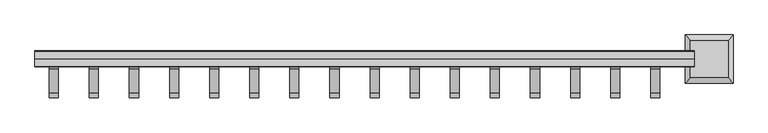
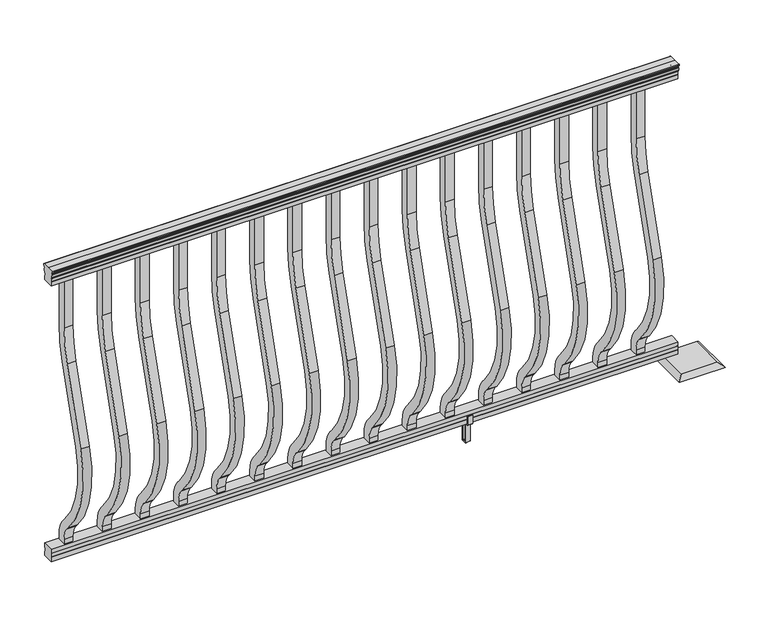
"""IFC4 building model written with IfcOpenShell, lengths in millimetres: railing geometry."""

from ifc_helpers import new_model, si_unit, point, frame, frame_2d, origin, place, context, project, spatial, polyline, circle_curve, trimmed, segment, composite_curve, outline, extrude, faceted_brep, source, transform, mapped, element, save
from ifc_brep_helpers import plane_surface, cylinder_surface, revolved_surface, advanced_brep


def railing_daff04e8(model_context):
    return source(origin(), model_context, "Body", "SolidModel", [
        advanced_brep(
        [(13676.0817463, -48070.5992427, 938.4043297), (13676.0817463, -48070.5992427, 940.292412), (13676.0817463, -48071.729429, 941.8546695), (13676.0817463, -48071.729429, 949.0726458), (13676.0817463, -48071.0801726, 951.5060812), (13676.0817463, -48073.5801726, 955.8362083), (13676.0817463, -48074.9895151, 957.5157972), (13676.0817463, -48075.3914141, 958.6205318), (13676.0817463, -48075.391414, 959.9608158), (13676.0817463, -48073.8379668, 961.514263), (13676.0817463, -48053.166414, 961.514263), (13676.0817463, -48032.4948612, 961.514263), (13676.0817463, -48030.941414, 959.9608158), (13676.0817463, -48030.941414, 958.6205318), (13676.0817463, -48031.3433129, 957.5157972), (13676.0817463, -48032.7526554, 955.8362083), (13676.0817463, -48035.2526554, 951.5060812), (13676.0817463, -48034.603399, 949.0726458), (13676.0817463, -48034.603399, 941.8546695), (13676.0817463, -48035.7335853, 940.292412), (13676.0817463, -48035.7335853, 938.4043297), (13676.0817463, -48038.307414, 938.4043297), (13676.0817463, -48038.307414, 927.9048283), (13676.0817463, -48037.291414, 926.8888283), (13676.0817463, -48037.291414, 914.4), (13676.0817463, -48069.041414, 914.4), (13676.0817463, -48069.041414, 926.731013), (13676.0817463, -48068.025414, 927.747013), (13676.0817463, -48068.025414, 938.4043297), (15504.8817463, -48070.5992427, 938.4043297), (15504.8817463, -48068.025414, 938.4043297), (15504.8817463, -48068.025414, 927.747013), (15504.8817463, -48069.041414, 926.731013), (15504.8817463, -48069.041414, 914.4), (15504.8817463, -48037.291414, 914.4), (15504.8817463, -48037.291414, 926.8888283), (15504.8817463, -48038.307414, 927.9048283), (15504.8817463, -48038.307414, 938.4043297), (15504.8817463, -48035.7335853, 938.4043297), (15504.8817463, -48035.7335853, 940.292412), (15504.8817463, -48034.603399, 941.8546695), (15504.8817463, -48034.603399, 949.0726458), (15504.8817463, -48035.2526554, 951.5060812), (15504.8817463, -48032.7526554, 955.8362083), (15504.8817463, -48031.3433129, 957.5157972), (15504.8817463, -48030.9414139, 958.6205318), (15504.8817463, -48030.941414, 959.9608158), (15504.8817463, -48032.4948612, 961.514263), (15504.8817463, -48053.166414, 961.514263), (15504.8817463, -48073.8379668, 961.514263), (15504.8817463, -48075.391414, 959.9608158), (15504.8817463, -48075.391414, 958.6205318), (15504.8817463, -48074.9895151, 957.5157972), (15504.8817463, -48073.5801726, 955.8362083), (15504.8817463, -48071.0801726, 951.5060812), (15504.8817463, -48071.729429, 949.0726458), (15504.8817463, -48071.729429, 941.8546695), (15504.8817463, -48070.5992427, 940.292412)],
        [
            (0, 1),
            (1, 2, circle_curve(frame((13676.0817463, -48064.2844895, 946.0506383), z_axis=(-1.0, 0.0, 0.0), x_axis=(0.0, 1.0, 0.0)), 8.545951)),
            (2, 3, circle_curve(frame((13676.0817463, -48064.7215524, 945.4636577), z_axis=(-1.0, 0.0, 0.0), x_axis=(0.0, 1.0, 0.0)), 7.882584)),
            (3, 4, circle_curve(frame((13676.0817463, -48075.2348766, 951.3112527), z_axis=(1.0, 0.0, 0.0), x_axis=(0.0, 1.0, 0.0)), 4.1592695)),
            (4, 5, circle_curve(frame((13676.0817463, -48076.5221831, 951.2508864), z_axis=(1.0, 0.0, 0.0), x_axis=(0.0, 1.0, 0.0)), 5.4479907)),
            (5, 6, circle_curve(frame((13676.0817463, -48075.2890247, 955.833395), z_axis=(1.0, 0.0, 0.0), x_axis=(0.0, 1.0, 0.0)), 1.7088543)),
            (6, 7, circle_curve(frame((13676.0817463, -48073.6721246, 958.6205318), z_axis=(-1.0, 0.0, 0.0), x_axis=(0.0, 1.0, 0.0)), 1.7192895)),
            (7, 8),
            (8, 9, circle_curve(frame((13676.0817463, -48073.8379668, 959.9608158), z_axis=(-1.0, 0.0, 0.0), x_axis=(0.0, 1.0, 0.0)), 1.5534472)),
            (9, 10),
            (10, 11),
            (11, 12, circle_curve(frame((13676.0817463, -48032.4948612, 959.9608158), z_axis=(-1.0, 0.0, 0.0), x_axis=(0.0, -1.0, 0.0)), 1.5534472)),
            (12, 13),
            (13, 14, circle_curve(frame((13676.0817463, -48032.6607034, 958.6205318), z_axis=(-1.0, 0.0, 0.0), x_axis=(0.0, -1.0, 0.0)), 1.7192895)),
            (14, 15, circle_curve(frame((13676.0817463, -48031.0438033, 955.833395), z_axis=(1.0, 0.0, 0.0), x_axis=(0.0, -1.0, 0.0)), 1.7088543)),
            (15, 16, circle_curve(frame((13676.0817463, -48029.8106449, 951.2508864), z_axis=(1.0, 0.0, 0.0), x_axis=(0.0, -1.0, 0.0)), 5.4479907)),
            (16, 17, circle_curve(frame((13676.0817463, -48031.0979515, 951.3112527), z_axis=(1.0, 0.0, 0.0), x_axis=(0.0, -1.0, 0.0)), 4.1592695)),
            (17, 18, circle_curve(frame((13676.0817463, -48041.6112756, 945.4636577), z_axis=(-1.0, 0.0, 0.0), x_axis=(0.0, -1.0, 0.0)), 7.882584)),
            (18, 19, circle_curve(frame((13676.0817463, -48042.0483386, 946.0506383), z_axis=(-1.0, 0.0, 0.0), x_axis=(0.0, -1.0, 0.0)), 8.545951)),
            (19, 20),
            (20, 21, circle_curve(frame((13676.0817463, -48037.0204996, 938.4043297), z_axis=(-1.0, 0.0, 0.0), x_axis=(0.0, -1.0, 0.0)), 1.2869144)),
            (21, 22),
            (22, 23),
            (23, 24),
            (24, 25),
            (25, 26),
            (26, 27),
            (27, 28),
            (28, 0, circle_curve(frame((13676.0817463, -48069.3123284, 938.4043297), z_axis=(-1.0, 0.0, 0.0), x_axis=(0.0, 1.0, 0.0)), 1.2869144)),
            (29, 30, circle_curve(frame((15504.8817463, -48069.3123284, 938.4043297), z_axis=(1.0, 0.0, 0.0), x_axis=(0.0, 1.0, 0.0)), 1.2869144)),
            (30, 31),
            (31, 32),
            (32, 33),
            (33, 34),
            (34, 35),
            (35, 36),
            (36, 37),
            (37, 38, circle_curve(frame((15504.8817463, -48037.0204996, 938.4043297), z_axis=(1.0, 0.0, 0.0), x_axis=(0.0, -1.0, 0.0)), 1.2869144)),
            (38, 39),
            (39, 40, circle_curve(frame((15504.8817463, -48042.0483386, 946.0506383), z_axis=(1.0, 0.0, 0.0), x_axis=(0.0, -1.0, 0.0)), 8.545951)),
            (40, 41, circle_curve(frame((15504.8817463, -48041.6112756, 945.4636577), z_axis=(1.0, 0.0, 0.0), x_axis=(0.0, -1.0, 0.0)), 7.882584)),
            (41, 42, circle_curve(frame((15504.8817463, -48031.0979515, 951.3112527), z_axis=(-1.0, 0.0, 0.0), x_axis=(0.0, -1.0, 0.0)), 4.1592695)),
            (42, 43, circle_curve(frame((15504.8817463, -48029.8106449, 951.2508864), z_axis=(-1.0, 0.0, 0.0), x_axis=(0.0, -1.0, 0.0)), 5.4479907)),
            (43, 44, circle_curve(frame((15504.8817463, -48031.0438033, 955.833395), z_axis=(-1.0, 0.0, 0.0), x_axis=(0.0, -1.0, 0.0)), 1.7088543)),
            (44, 45, circle_curve(frame((15504.8817463, -48032.6607034, 958.6205318), z_axis=(1.0, 0.0, 0.0), x_axis=(0.0, -1.0, 0.0)), 1.7192895)),
            (45, 46),
            (46, 47, circle_curve(frame((15504.8817463, -48032.4948612, 959.9608158), z_axis=(1.0, 0.0, 0.0), x_axis=(0.0, -1.0, 0.0)), 1.5534472)),
            (47, 48),
            (48, 49),
            (49, 50, circle_curve(frame((15504.8817463, -48073.8379668, 959.9608158), z_axis=(1.0, 0.0, 0.0), x_axis=(0.0, 1.0, 0.0)), 1.5534472)),
            (50, 51),
            (51, 52, circle_curve(frame((15504.8817463, -48073.6721246, 958.6205318), z_axis=(1.0, 0.0, 0.0), x_axis=(0.0, 1.0, 0.0)), 1.7192895)),
            (52, 53, circle_curve(frame((15504.8817463, -48075.2890247, 955.833395), z_axis=(-1.0, 0.0, 0.0), x_axis=(0.0, 1.0, 0.0)), 1.7088543)),
            (53, 54, circle_curve(frame((15504.8817463, -48076.5221831, 951.2508864), z_axis=(-1.0, 0.0, 0.0), x_axis=(0.0, 1.0, 0.0)), 5.4479907)),
            (54, 55, circle_curve(frame((15504.8817463, -48075.2348766, 951.3112527), z_axis=(-1.0, 0.0, 0.0), x_axis=(0.0, 1.0, 0.0)), 4.1592695)),
            (55, 56, circle_curve(frame((15504.8817463, -48064.7215524, 945.4636577), z_axis=(1.0, 0.0, 0.0), x_axis=(0.0, 1.0, 0.0)), 7.882584)),
            (56, 57, circle_curve(frame((15504.8817463, -48064.2844895, 946.0506383), z_axis=(1.0, 0.0, 0.0), x_axis=(0.0, 1.0, 0.0)), 8.545951)),
            (57, 29),
            (28, 30),
            (29, 0),
            (27, 31),
            (26, 32),
            (25, 33),
            (24, 34),
            (23, 35),
            (22, 36),
            (21, 37),
            (20, 38),
            (19, 39),
            (18, 40),
            (17, 41),
            (16, 42),
            (15, 43),
            (14, 44),
            (13, 45),
            (12, 46),
            (11, 47),
            (10, 48),
            (9, 49),
            (8, 50),
            (7, 51),
            (6, 52),
            (5, 53),
            (4, 54),
            (3, 55),
            (2, 56),
            (1, 57),
        ],
        [
            plane_surface(frame((13676.0817463, -48053.166414, 914.4), z_axis=(-1.0, 0.0, 0.0), x_axis=(0.0, 1.0, 0.0))),
            plane_surface(frame((15504.8817463, -48053.166414, 914.4), z_axis=(1.0, 0.0, 0.0), x_axis=(0.0, 1.0, 0.0))),
            cylinder_surface(frame((13676.0817463, -48069.3123284, 938.4043297), z_axis=(-1.0, 0.0, 0.0), x_axis=(0.0, 1.0, 0.0)), 1.2869144),
            plane_surface(frame((13676.0817463, -48068.025414, 927.747013), z_axis=(0.0, -1.0, 0.0), x_axis=(1.0, 0.0, 0.0))),
            plane_surface(frame((13676.0817463, -48069.041414, 926.731013), z_axis=(0.0, -0.7071067811865395, 0.7071067811865556), x_axis=(1.0, 0.0, 0.0))),
            plane_surface(frame((13676.0817463, -48069.041414, 914.4), z_axis=(0.0, -1.0, 0.0), x_axis=(1.0, 0.0, 0.0))),
            plane_surface(frame((13676.0817463, -48037.291414, 914.4), z_axis=(0.0, 0.0, -1.0), x_axis=(1.0, 0.0, 0.0))),
            plane_surface(frame((13676.0817463, -48037.291414, 926.8888283), z_axis=(0.0, 1.0, 0.0), x_axis=(1.0, 0.0, 0.0))),
            plane_surface(frame((13676.0817463, -48038.307414, 927.9048283), z_axis=(0.0, 0.7071067811865432, 0.707106781186552), x_axis=(1.0, 0.0, 0.0))),
            plane_surface(frame((13676.0817463, -48038.307414, 938.4043297), z_axis=(0.0, 1.0, 0.0), x_axis=(1.0, 0.0, 0.0))),
            cylinder_surface(frame((13676.0817463, -48037.0204996, 938.4043297), z_axis=(-1.0, 0.0, 0.0), x_axis=(0.0, -1.0, 0.0)), 1.2869144),
            plane_surface(frame((13676.0817463, -48035.7335853, 940.292412), z_axis=(0.0, 1.0, 0.0), x_axis=(1.0, 0.0, 0.0))),
            cylinder_surface(frame((13676.0817463, -48042.0483386, 946.0506383), z_axis=(-1.0, 0.0, 0.0), x_axis=(0.0, -1.0, 0.0)), 8.545951),
            cylinder_surface(frame((13676.0817463, -48041.6112756, 945.4636577), z_axis=(-1.0, 0.0, 0.0), x_axis=(0.0, -1.0, 0.0)), 7.882584),
            revolved_surface(polyline([(15504.8817463, -48035.257221, 951.3112527), (13676.0817463, -48035.257221, 951.3112527)]), (13676.0817463, -48031.0979515, 951.3112527), (1.0, 0.0, 0.0)),
            revolved_surface(polyline([(15504.8817463, -48035.258635599996, 951.2508864), (13676.0817463, -48035.258635599996, 951.2508864)]), (13676.0817463, -48029.8106449, 951.2508864), (1.0, 0.0, 0.0)),
            revolved_surface(polyline([(15504.8817463, -48032.7526576, 955.833395), (13676.0817463, -48032.7526576, 955.833395)]), (13676.0817463, -48031.0438033, 955.833395), (1.0, 0.0, 0.0)),
            cylinder_surface(frame((13676.0817463, -48032.6607034, 958.6205318), z_axis=(-1.0, 0.0, 0.0), x_axis=(0.0, -1.0, 0.0)), 1.7192895),
            plane_surface(frame((13676.0817463, -48030.941414, 959.9608158), z_axis=(0.0, 1.0, 0.0), x_axis=(1.0, 0.0, 0.0))),
            cylinder_surface(frame((13676.0817463, -48032.4948612, 959.9608158), z_axis=(-1.0, 0.0, 0.0), x_axis=(0.0, -1.0, 0.0)), 1.5534472),
            plane_surface(frame((13676.0817463, -48053.166414, 961.514263), z_axis=(0.0, 0.0, 1.0), x_axis=(1.0, 0.0, 0.0))),
            plane_surface(frame((13676.0817463, -48073.8379668, 961.514263), z_axis=(0.0, 0.0, 1.0), x_axis=(1.0, 0.0, 0.0))),
            cylinder_surface(frame((13676.0817463, -48073.8379668, 959.9608158), z_axis=(-1.0, 0.0, 0.0), x_axis=(0.0, 1.0, 0.0)), 1.5534472),
            plane_surface(frame((13676.0817463, -48075.391414, 958.6205318), z_axis=(0.0, -1.0, 0.0), x_axis=(1.0, 0.0, 0.0))),
            cylinder_surface(frame((13676.0817463, -48073.6721246, 958.6205318), z_axis=(-1.0, 0.0, 0.0), x_axis=(0.0, 1.0, 0.0)), 1.7192895),
            revolved_surface(polyline([(15504.8817463, -48073.580170400004, 955.833395), (13676.0817463, -48073.580170400004, 955.833395)]), (13676.0817463, -48075.2890247, 955.833395), (1.0, 0.0, 0.0)),
            revolved_surface(polyline([(15504.8817463, -48071.0741924, 951.2508864), (13676.0817463, -48071.0741924, 951.2508864)]), (13676.0817463, -48076.5221831, 951.2508864), (1.0, 0.0, 0.0)),
            revolved_surface(polyline([(15504.8817463, -48071.0756071, 951.3112527), (13676.0817463, -48071.0756071, 951.3112527)]), (13676.0817463, -48075.2348766, 951.3112527), (1.0, 0.0, 0.0)),
            cylinder_surface(frame((13676.0817463, -48064.7215524, 945.4636577), z_axis=(-1.0, 0.0, 0.0), x_axis=(0.0, 1.0, 0.0)), 7.882584),
            cylinder_surface(frame((13676.0817463, -48064.2844895, 946.0506383), z_axis=(-1.0, 0.0, 0.0), x_axis=(0.0, 1.0, 0.0)), 8.545951),
            plane_surface(frame((13676.0817463, -48070.5992427, 938.4043297), z_axis=(0.0, -1.0, 0.0), x_axis=(1.0, 0.0, 0.0))),
        ],
        [
            (0, [[1, 2, 3, 4, 5, 6, 7, 8, 9, 10, 11, 12, 13, 14, 15, 16, 17, 18, 19, 20, 21, 22, 23, 24, 25, 26, 27, 28, 29]]),
            (1, [[30, 31, 32, 33, 34, 35, 36, 37, 38, 39, 40, 41, 42, 43, 44, 45, 46, 47, 48, 49, 50, 51, 52, 53, 54, 55, 56, 57, 58]]),
            (2, [[-29, 59, -30, 60]]),
            (3, [[-28, 61, -31, -59]]),
            (4, [[-27, 62, -32, -61]]),
            (5, [[-26, 63, -33, -62]]),
            (6, [[-25, 64, -34, -63]]),
            (7, [[-24, 65, -35, -64]]),
            (8, [[-23, 66, -36, -65]]),
            (9, [[-22, 67, -37, -66]]),
            (10, [[-21, 68, -38, -67]]),
            (11, [[-20, 69, -39, -68]]),
            (12, [[-19, 70, -40, -69]]),
            (13, [[-18, 71, -41, -70]]),
            (14, [[-17, 72, -42, -71]]),
            (15, [[-16, 73, -43, -72]]),
            (16, [[-15, 74, -44, -73]]),
            (17, [[-14, 75, -45, -74]]),
            (18, [[-13, 76, -46, -75]]),
            (19, [[-12, 77, -47, -76]]),
            (20, [[-11, 78, -48, -77]]),
            (21, [[-10, 79, -49, -78]]),
            (22, [[-9, 80, -50, -79]]),
            (23, [[-8, 81, -51, -80]]),
            (24, [[-7, 82, -52, -81]]),
            (25, [[-6, 83, -53, -82]]),
            (26, [[-5, 84, -54, -83]]),
            (27, [[-4, 85, -55, -84]]),
            (28, [[-3, 86, -56, -85]]),
            (29, [[-2, 87, -57, -86]]),
            (30, [[-1, -60, -58, -87]]),
        ],
    ),
        faceted_brep([(13676.0817463, -48069.0789009, 76.0541976), (13676.0817463, -48068.0629009, 77.3546183), (13676.0817463, -48068.0629009, 87.7141717), (13676.0817463, -48069.0789009, 89.0624492), (13676.0817463, -48069.0789009, 101.5958781), (13676.0817463, -48037.3289009, 101.5958781), (13676.0817463, -48037.3289009, 89.0458024), (13676.0817463, -48038.3449009, 87.6975248), (13676.0817463, -48038.3449009, 77.3858283), (13676.0817463, -48037.3289009, 76.0375508), (13676.0817463, -48037.3289009, 63.5), (13676.0817463, -48069.0789009, 63.5), (15504.8817463, -48069.0789009, 76.0541976), (15504.8817463, -48069.0789009, 63.5), (15504.8817463, -48037.3289009, 63.5), (15504.8817463, -48037.3289009, 76.0375508), (15504.8817463, -48038.3449009, 77.3858283), (15504.8817463, -48038.3449009, 87.6975248), (15504.8817463, -48037.3289009, 89.0458024), (15504.8817463, -48037.3289009, 101.5958781), (15504.8817463, -48069.0789009, 101.5958781), (15504.8817463, -48069.0789009, 89.0624492), (15504.8817463, -48068.0629009, 87.7141717), (15504.8817463, -48068.0629009, 77.3546183)], [[[0, 1, 2, 3, 4, 5, 6, 7, 8, 9, 10, 11]], [[12, 13, 14, 15, 16, 17, 18, 19, 20, 21, 22, 23]], [[0, 11, 13, 12]], [[11, 10, 14, 13]], [[10, 9, 15, 14]], [[9, 8, 16, 15]], [[8, 7, 17, 16]], [[7, 6, 18, 17]], [[6, 5, 19, 18]], [[5, 4, 20, 19]], [[4, 3, 21, 20]], [[3, 2, 22, 21]], [[2, 1, 23, 22]], [[1, 0, 12, 23]]]),
        extrude(outline(composite_curve([segment(polyline([(-48065.866414, 768.63216), (-48065.866414, 914.4), (-48040.466414, 914.4), (-48040.466414, 768.63216)]), True, "CONTINUOUS"), segment(trimmed(circle_curve(frame_2d((-48413.166414, 768.63216)), 372.7), [point((-48040.466414, 768.63216))], [point((-48056.7516315, 659.6652257))], False, "CARTESIAN"), True, "CONTINUOUS"), segment(polyline([(-48056.7516315, 659.6652257), (-48124.5789093, 437.8121964)]), True, "CONTINUOUS"), segment(trimmed(circle_curve(frame_2d((-47868.958648, 359.6612397)), 267.3), [point((-48124.5789093, 437.8121964))], [point((-48068.2736709, 181.5522516))], True, "CARTESIAN"), True, "CONTINUOUS"), segment(polyline([(-48068.2736709, 181.5522516), (-48062.7719976, 175.3955374)]), True, "CONTINUOUS"), segment(trimmed(circle_curve(frame_2d((-48128.166414, 116.9587313)), 87.7), [point((-48062.7719976, 175.3955374))], [point((-48040.466414, 116.9587313))], False, "CARTESIAN"), True, "CONTINUOUS"), segment(polyline([(-48040.466414, 116.9587313), (-48040.466414, 101.5958781), (-48065.866414, 101.5958781), (-48065.866414, 116.9587313)]), True, "CONTINUOUS"), segment(trimmed(circle_curve(frame_2d((-48128.166414, 116.9587313)), 62.3), [point((-48065.866414, 116.9587313))], [point((-48081.7117716, 158.4708524))], True, "CARTESIAN"), True, "CONTINUOUS"), segment(polyline([(-48081.7117716, 158.4708524), (-48087.2134448, 164.6275666)]), True, "CONTINUOUS"), segment(trimmed(circle_curve(frame_2d((-47868.958648, 359.6612397)), 292.7), [point((-48087.2134448, 164.6275666))], [point((-48148.8690501, 445.2384377))], False, "CARTESIAN"), True, "CONTINUOUS"), segment(polyline([(-48148.8690501, 445.2384377), (-48081.0417723, 667.091467)]), True, "CONTINUOUS"), segment(trimmed(circle_curve(frame_2d((-48413.166414, 768.63216)), 347.3), [point((-48081.0417723, 667.091467))], [point((-48065.866414, 768.63216))], True, "CARTESIAN"), True, "CONTINUOUS")], self_intersect=False)), frame((15384.4857463, 0.0, 0.0), z_axis=(1.0, 0.0, 0.0), x_axis=(0.0, 1.0, 0.0)), (0.0, 0.0, 1.0), 25.4),
        extrude(outline(composite_curve([segment(polyline([(-48065.866414, 768.63216), (-48065.866414, 914.4), (-48040.466414, 914.4), (-48040.466414, 768.63216)]), True, "CONTINUOUS"), segment(trimmed(circle_curve(frame_2d((-48413.166414, 768.63216)), 372.7), [point((-48040.466414, 768.63216))], [point((-48056.7516315, 659.6652257))], False, "CARTESIAN"), True, "CONTINUOUS"), segment(polyline([(-48056.7516315, 659.6652257), (-48124.5789093, 437.8121964)]), True, "CONTINUOUS"), segment(trimmed(circle_curve(frame_2d((-47868.958648, 359.6612397)), 267.3), [point((-48124.5789093, 437.8121964))], [point((-48068.2736709, 181.5522516))], True, "CARTESIAN"), True, "CONTINUOUS"), segment(polyline([(-48068.2736709, 181.5522516), (-48062.7719976, 175.3955374)]), True, "CONTINUOUS"), segment(trimmed(circle_curve(frame_2d((-48128.166414, 116.9587313)), 87.7), [point((-48062.7719976, 175.3955374))], [point((-48040.466414, 116.9587313))], False, "CARTESIAN"), True, "CONTINUOUS"), segment(polyline([(-48040.466414, 116.9587313), (-48040.466414, 101.5958781), (-48065.866414, 101.5958781), (-48065.866414, 116.9587313)]), True, "CONTINUOUS"), segment(trimmed(circle_curve(frame_2d((-48128.166414, 116.9587313)), 62.3), [point((-48065.866414, 116.9587313))], [point((-48081.7117716, 158.4708524))], True, "CARTESIAN"), True, "CONTINUOUS"), segment(polyline([(-48081.7117716, 158.4708524), (-48087.2134448, 164.6275666)]), True, "CONTINUOUS"), segment(trimmed(circle_curve(frame_2d((-47868.958648, 359.6612397)), 292.7), [point((-48087.2134448, 164.6275666))], [point((-48148.8690501, 445.2384377))], False, "CARTESIAN"), True, "CONTINUOUS"), segment(polyline([(-48148.8690501, 445.2384377), (-48081.0417723, 667.091467)]), True, "CONTINUOUS"), segment(trimmed(circle_curve(frame_2d((-48413.166414, 768.63216)), 347.3), [point((-48081.0417723, 667.091467))], [point((-48065.866414, 768.63216))], True, "CARTESIAN"), True, "CONTINUOUS")], self_intersect=False)), frame((15273.2337463, 0.0, 0.0), z_axis=(1.0, 0.0, 0.0), x_axis=(0.0, 1.0, 0.0)), (0.0, 0.0, 1.0), 25.4),
        extrude(outline(composite_curve([segment(polyline([(-48065.866414, 768.63216), (-48065.866414, 914.4), (-48040.466414, 914.4), (-48040.466414, 768.63216)]), True, "CONTINUOUS"), segment(trimmed(circle_curve(frame_2d((-48413.166414, 768.63216)), 372.7), [point((-48040.466414, 768.63216))], [point((-48056.7516315, 659.6652257))], False, "CARTESIAN"), True, "CONTINUOUS"), segment(polyline([(-48056.7516315, 659.6652257), (-48124.5789093, 437.8121964)]), True, "CONTINUOUS"), segment(trimmed(circle_curve(frame_2d((-47868.958648, 359.6612397)), 267.3), [point((-48124.5789093, 437.8121964))], [point((-48068.2736709, 181.5522516))], True, "CARTESIAN"), True, "CONTINUOUS"), segment(polyline([(-48068.2736709, 181.5522516), (-48062.7719976, 175.3955374)]), True, "CONTINUOUS"), segment(trimmed(circle_curve(frame_2d((-48128.166414, 116.9587313)), 87.7), [point((-48062.7719976, 175.3955374))], [point((-48040.466414, 116.9587313))], False, "CARTESIAN"), True, "CONTINUOUS"), segment(polyline([(-48040.466414, 116.9587313), (-48040.466414, 101.5958781), (-48065.866414, 101.5958781), (-48065.866414, 116.9587313)]), True, "CONTINUOUS"), segment(trimmed(circle_curve(frame_2d((-48128.166414, 116.9587313)), 62.3), [point((-48065.866414, 116.9587313))], [point((-48081.7117716, 158.4708524))], True, "CARTESIAN"), True, "CONTINUOUS"), segment(polyline([(-48081.7117716, 158.4708524), (-48087.2134448, 164.6275666)]), True, "CONTINUOUS"), segment(trimmed(circle_curve(frame_2d((-47868.958648, 359.6612397)), 292.7), [point((-48087.2134448, 164.6275666))], [point((-48148.8690501, 445.2384377))], False, "CARTESIAN"), True, "CONTINUOUS"), segment(polyline([(-48148.8690501, 445.2384377), (-48081.0417723, 667.091467)]), True, "CONTINUOUS"), segment(trimmed(circle_curve(frame_2d((-48413.166414, 768.63216)), 347.3), [point((-48081.0417723, 667.091467))], [point((-48065.866414, 768.63216))], True, "CARTESIAN"), True, "CONTINUOUS")], self_intersect=False)), frame((15161.9817463, 0.0, 0.0), z_axis=(1.0, 0.0, 0.0), x_axis=(0.0, 1.0, 0.0)), (0.0, 0.0, 1.0), 25.4),
        extrude(outline(composite_curve([segment(polyline([(-48065.866414, 768.63216), (-48065.866414, 914.4), (-48040.466414, 914.4), (-48040.466414, 768.63216)]), True, "CONTINUOUS"), segment(trimmed(circle_curve(frame_2d((-48413.166414, 768.63216)), 372.7), [point((-48040.466414, 768.63216))], [point((-48056.7516315, 659.6652257))], False, "CARTESIAN"), True, "CONTINUOUS"), segment(polyline([(-48056.7516315, 659.6652257), (-48124.5789093, 437.8121964)]), True, "CONTINUOUS"), segment(trimmed(circle_curve(frame_2d((-47868.958648, 359.6612397)), 267.3), [point((-48124.5789093, 437.8121964))], [point((-48068.2736709, 181.5522516))], True, "CARTESIAN"), True, "CONTINUOUS"), segment(polyline([(-48068.2736709, 181.5522516), (-48062.7719976, 175.3955374)]), True, "CONTINUOUS"), segment(trimmed(circle_curve(frame_2d((-48128.166414, 116.9587313)), 87.7), [point((-48062.7719976, 175.3955374))], [point((-48040.466414, 116.9587313))], False, "CARTESIAN"), True, "CONTINUOUS"), segment(polyline([(-48040.466414, 116.9587313), (-48040.466414, 101.5958781), (-48065.866414, 101.5958781), (-48065.866414, 116.9587313)]), True, "CONTINUOUS"), segment(trimmed(circle_curve(frame_2d((-48128.166414, 116.9587313)), 62.3), [point((-48065.866414, 116.9587313))], [point((-48081.7117716, 158.4708524))], True, "CARTESIAN"), True, "CONTINUOUS"), segment(polyline([(-48081.7117716, 158.4708524), (-48087.2134448, 164.6275666)]), True, "CONTINUOUS"), segment(trimmed(circle_curve(frame_2d((-47868.958648, 359.6612397)), 292.7), [point((-48087.2134448, 164.6275666))], [point((-48148.8690501, 445.2384377))], False, "CARTESIAN"), True, "CONTINUOUS"), segment(polyline([(-48148.8690501, 445.2384377), (-48081.0417723, 667.091467)]), True, "CONTINUOUS"), segment(trimmed(circle_curve(frame_2d((-48413.166414, 768.63216)), 347.3), [point((-48081.0417723, 667.091467))], [point((-48065.866414, 768.63216))], True, "CARTESIAN"), True, "CONTINUOUS")], self_intersect=False)), frame((15050.7297463, 0.0, 0.0), z_axis=(1.0, 0.0, 0.0), x_axis=(0.0, 1.0, 0.0)), (0.0, 0.0, 1.0), 25.4),
        extrude(outline(composite_curve([segment(polyline([(-48065.866414, 768.63216), (-48065.866414, 914.4), (-48040.466414, 914.4), (-48040.466414, 768.63216)]), True, "CONTINUOUS"), segment(trimmed(circle_curve(frame_2d((-48413.166414, 768.63216)), 372.7), [point((-48040.466414, 768.63216))], [point((-48056.7516315, 659.6652257))], False, "CARTESIAN"), True, "CONTINUOUS"), segment(polyline([(-48056.7516315, 659.6652257), (-48124.5789093, 437.8121964)]), True, "CONTINUOUS"), segment(trimmed(circle_curve(frame_2d((-47868.958648, 359.6612397)), 267.3), [point((-48124.5789093, 437.8121964))], [point((-48068.2736709, 181.5522516))], True, "CARTESIAN"), True, "CONTINUOUS"), segment(polyline([(-48068.2736709, 181.5522516), (-48062.7719976, 175.3955374)]), True, "CONTINUOUS"), segment(trimmed(circle_curve(frame_2d((-48128.166414, 116.9587313)), 87.7), [point((-48062.7719976, 175.3955374))], [point((-48040.466414, 116.9587313))], False, "CARTESIAN"), True, "CONTINUOUS"), segment(polyline([(-48040.466414, 116.9587313), (-48040.466414, 101.5958781), (-48065.866414, 101.5958781), (-48065.866414, 116.9587313)]), True, "CONTINUOUS"), segment(trimmed(circle_curve(frame_2d((-48128.166414, 116.9587313)), 62.3), [point((-48065.866414, 116.9587313))], [point((-48081.7117716, 158.4708524))], True, "CARTESIAN"), True, "CONTINUOUS"), segment(polyline([(-48081.7117716, 158.4708524), (-48087.2134448, 164.6275666)]), True, "CONTINUOUS"), segment(trimmed(circle_curve(frame_2d((-47868.958648, 359.6612397)), 292.7), [point((-48087.2134448, 164.6275666))], [point((-48148.8690501, 445.2384377))], False, "CARTESIAN"), True, "CONTINUOUS"), segment(polyline([(-48148.8690501, 445.2384377), (-48081.0417723, 667.091467)]), True, "CONTINUOUS"), segment(trimmed(circle_curve(frame_2d((-48413.166414, 768.63216)), 347.3), [point((-48081.0417723, 667.091467))], [point((-48065.866414, 768.63216))], True, "CARTESIAN"), True, "CONTINUOUS")], self_intersect=False)), frame((14939.4777463, 0.0, 0.0), z_axis=(1.0, 0.0, 0.0), x_axis=(0.0, 1.0, 0.0)), (0.0, 0.0, 1.0), 25.4),
        extrude(outline(polyline([(-48035.0054152, 88.7203979), (-48034.2434141, 87.9583969), (-48034.2434141, 61.4680023), (-48035.0054152, 60.7060013), (-48045.0384142, 60.7060013), (-48045.8004143, 59.9440012), (-48045.8004143, 0.7620001), (-48046.5624144, 0.0), (-48059.7704136, 0.0), (-48060.5324147, 0.762001), (-48060.5324147, 59.9440012), (-48061.2944147, 60.7060013), (-48071.3274138, 60.7060013), (-48072.0894148, 61.4680023), (-48072.0894148, 87.9583969), (-48071.3274138, 88.7203979), (-48069.2954142, 88.7203979), (-48068.2794144, 87.7043953), (-48068.2794144, 77.2686081), (-48069.2954142, 76.2526073), (-48069.2954142, 64.262001), (-48068.5334151, 63.5000019), (-48037.7994139, 63.5000019), (-48037.0374148, 64.262001), (-48037.0374148, 76.2526073), (-48038.0534146, 77.2686081), (-48038.0534146, 87.7043953), (-48037.0374148, 88.7203979), (-48035.0054152, 88.7203979)]), holes=[polyline([(-48056.5954144, 60.7060013), (-48057.3574145, 59.9440012), (-48057.3574145, 3.9370031), (-48056.5954144, 3.1750031), (-48049.7374117, 3.1750031), (-48048.9754145, 3.9370003), (-48048.9754145, 59.9440012), (-48049.7374146, 60.7060013), (-48056.5954144, 60.7060013)])]), frame((14889.1857463, 0.0, 0.0), z_axis=(1.0, 0.0, 0.0), x_axis=(0.0, 1.0, 0.0)), (0.0, 0.0, 1.0), 14.732),
        extrude(outline(composite_curve([segment(polyline([(-48065.866414, 768.63216), (-48065.866414, 914.4), (-48040.466414, 914.4), (-48040.466414, 768.63216)]), True, "CONTINUOUS"), segment(trimmed(circle_curve(frame_2d((-48413.166414, 768.63216)), 372.7), [point((-48040.466414, 768.63216))], [point((-48056.7516315, 659.6652257))], False, "CARTESIAN"), True, "CONTINUOUS"), segment(polyline([(-48056.7516315, 659.6652257), (-48124.5789093, 437.8121964)]), True, "CONTINUOUS"), segment(trimmed(circle_curve(frame_2d((-47868.958648, 359.6612397)), 267.3), [point((-48124.5789093, 437.8121964))], [point((-48068.2736709, 181.5522516))], True, "CARTESIAN"), True, "CONTINUOUS"), segment(polyline([(-48068.2736709, 181.5522516), (-48062.7719976, 175.3955374)]), True, "CONTINUOUS"), segment(trimmed(circle_curve(frame_2d((-48128.166414, 116.9587313)), 87.7), [point((-48062.7719976, 175.3955374))], [point((-48040.466414, 116.9587313))], False, "CARTESIAN"), True, "CONTINUOUS"), segment(polyline([(-48040.466414, 116.9587313), (-48040.466414, 101.5958781), (-48065.866414, 101.5958781), (-48065.866414, 116.9587313)]), True, "CONTINUOUS"), segment(trimmed(circle_curve(frame_2d((-48128.166414, 116.9587313)), 62.3), [point((-48065.866414, 116.9587313))], [point((-48081.7117716, 158.4708524))], True, "CARTESIAN"), True, "CONTINUOUS"), segment(polyline([(-48081.7117716, 158.4708524), (-48087.2134448, 164.6275666)]), True, "CONTINUOUS"), segment(trimmed(circle_curve(frame_2d((-47868.958648, 359.6612397)), 292.7), [point((-48087.2134448, 164.6275666))], [point((-48148.8690501, 445.2384377))], False, "CARTESIAN"), True, "CONTINUOUS"), segment(polyline([(-48148.8690501, 445.2384377), (-48081.0417723, 667.091467)]), True, "CONTINUOUS"), segment(trimmed(circle_curve(frame_2d((-48413.166414, 768.63216)), 347.3), [point((-48081.0417723, 667.091467))], [point((-48065.866414, 768.63216))], True, "CARTESIAN"), True, "CONTINUOUS")], self_intersect=False)), frame((14828.2257463, 0.0, 0.0), z_axis=(1.0, 0.0, 0.0), x_axis=(0.0, 1.0, 0.0)), (0.0, 0.0, 1.0), 25.4),
        extrude(outline(composite_curve([segment(polyline([(-48065.866414, 768.63216), (-48065.866414, 914.4), (-48040.466414, 914.4), (-48040.466414, 768.63216)]), True, "CONTINUOUS"), segment(trimmed(circle_curve(frame_2d((-48413.166414, 768.63216)), 372.7), [point((-48040.466414, 768.63216))], [point((-48056.7516315, 659.6652257))], False, "CARTESIAN"), True, "CONTINUOUS"), segment(polyline([(-48056.7516315, 659.6652257), (-48124.5789093, 437.8121964)]), True, "CONTINUOUS"), segment(trimmed(circle_curve(frame_2d((-47868.958648, 359.6612397)), 267.3), [point((-48124.5789093, 437.8121964))], [point((-48068.2736709, 181.5522516))], True, "CARTESIAN"), True, "CONTINUOUS"), segment(polyline([(-48068.2736709, 181.5522516), (-48062.7719976, 175.3955374)]), True, "CONTINUOUS"), segment(trimmed(circle_curve(frame_2d((-48128.166414, 116.9587313)), 87.7), [point((-48062.7719976, 175.3955374))], [point((-48040.466414, 116.9587313))], False, "CARTESIAN"), True, "CONTINUOUS"), segment(polyline([(-48040.466414, 116.9587313), (-48040.466414, 101.5958781), (-48065.866414, 101.5958781), (-48065.866414, 116.9587313)]), True, "CONTINUOUS"), segment(trimmed(circle_curve(frame_2d((-48128.166414, 116.9587313)), 62.3), [point((-48065.866414, 116.9587313))], [point((-48081.7117716, 158.4708524))], True, "CARTESIAN"), True, "CONTINUOUS"), segment(polyline([(-48081.7117716, 158.4708524), (-48087.2134448, 164.6275666)]), True, "CONTINUOUS"), segment(trimmed(circle_curve(frame_2d((-47868.958648, 359.6612397)), 292.7), [point((-48087.2134448, 164.6275666))], [point((-48148.8690501, 445.2384377))], False, "CARTESIAN"), True, "CONTINUOUS"), segment(polyline([(-48148.8690501, 445.2384377), (-48081.0417723, 667.091467)]), True, "CONTINUOUS"), segment(trimmed(circle_curve(frame_2d((-48413.166414, 768.63216)), 347.3), [point((-48081.0417723, 667.091467))], [point((-48065.866414, 768.63216))], True, "CARTESIAN"), True, "CONTINUOUS")], self_intersect=False)), frame((14716.9737463, 0.0, 0.0), z_axis=(1.0, 0.0, 0.0), x_axis=(0.0, 1.0, 0.0)), (0.0, 0.0, 1.0), 25.4),
        extrude(outline(composite_curve([segment(polyline([(-48065.866414, 768.63216), (-48065.866414, 914.4), (-48040.466414, 914.4), (-48040.466414, 768.63216)]), True, "CONTINUOUS"), segment(trimmed(circle_curve(frame_2d((-48413.166414, 768.63216)), 372.7), [point((-48040.466414, 768.63216))], [point((-48056.7516315, 659.6652257))], False, "CARTESIAN"), True, "CONTINUOUS"), segment(polyline([(-48056.7516315, 659.6652257), (-48124.5789093, 437.8121964)]), True, "CONTINUOUS"), segment(trimmed(circle_curve(frame_2d((-47868.958648, 359.6612397)), 267.3), [point((-48124.5789093, 437.8121964))], [point((-48068.2736709, 181.5522516))], True, "CARTESIAN"), True, "CONTINUOUS"), segment(polyline([(-48068.2736709, 181.5522516), (-48062.7719976, 175.3955374)]), True, "CONTINUOUS"), segment(trimmed(circle_curve(frame_2d((-48128.166414, 116.9587313)), 87.7), [point((-48062.7719976, 175.3955374))], [point((-48040.466414, 116.9587313))], False, "CARTESIAN"), True, "CONTINUOUS"), segment(polyline([(-48040.466414, 116.9587313), (-48040.466414, 101.5958781), (-48065.866414, 101.5958781), (-48065.866414, 116.9587313)]), True, "CONTINUOUS"), segment(trimmed(circle_curve(frame_2d((-48128.166414, 116.9587313)), 62.3), [point((-48065.866414, 116.9587313))], [point((-48081.7117716, 158.4708524))], True, "CARTESIAN"), True, "CONTINUOUS"), segment(polyline([(-48081.7117716, 158.4708524), (-48087.2134448, 164.6275666)]), True, "CONTINUOUS"), segment(trimmed(circle_curve(frame_2d((-47868.958648, 359.6612397)), 292.7), [point((-48087.2134448, 164.6275666))], [point((-48148.8690501, 445.2384377))], False, "CARTESIAN"), True, "CONTINUOUS"), segment(polyline([(-48148.8690501, 445.2384377), (-48081.0417723, 667.091467)]), True, "CONTINUOUS"), segment(trimmed(circle_curve(frame_2d((-48413.166414, 768.63216)), 347.3), [point((-48081.0417723, 667.091467))], [point((-48065.866414, 768.63216))], True, "CARTESIAN"), True, "CONTINUOUS")], self_intersect=False)), frame((14605.7217463, 0.0, 0.0), z_axis=(1.0, 0.0, 0.0), x_axis=(0.0, 1.0, 0.0)), (0.0, 0.0, 1.0), 25.4),
        extrude(outline(composite_curve([segment(polyline([(-48065.866414, 768.63216), (-48065.866414, 914.4), (-48040.466414, 914.4), (-48040.466414, 768.63216)]), True, "CONTINUOUS"), segment(trimmed(circle_curve(frame_2d((-48413.166414, 768.63216)), 372.7), [point((-48040.466414, 768.63216))], [point((-48056.7516315, 659.6652257))], False, "CARTESIAN"), True, "CONTINUOUS"), segment(polyline([(-48056.7516315, 659.6652257), (-48124.5789093, 437.8121964)]), True, "CONTINUOUS"), segment(trimmed(circle_curve(frame_2d((-47868.958648, 359.6612397)), 267.3), [point((-48124.5789093, 437.8121964))], [point((-48068.2736709, 181.5522516))], True, "CARTESIAN"), True, "CONTINUOUS"), segment(polyline([(-48068.2736709, 181.5522516), (-48062.7719976, 175.3955374)]), True, "CONTINUOUS"), segment(trimmed(circle_curve(frame_2d((-48128.166414, 116.9587313)), 87.7), [point((-48062.7719976, 175.3955374))], [point((-48040.466414, 116.9587313))], False, "CARTESIAN"), True, "CONTINUOUS"), segment(polyline([(-48040.466414, 116.9587313), (-48040.466414, 101.5958781), (-48065.866414, 101.5958781), (-48065.866414, 116.9587313)]), True, "CONTINUOUS"), segment(trimmed(circle_curve(frame_2d((-48128.166414, 116.9587313)), 62.3), [point((-48065.866414, 116.9587313))], [point((-48081.7117716, 158.4708524))], True, "CARTESIAN"), True, "CONTINUOUS"), segment(polyline([(-48081.7117716, 158.4708524), (-48087.2134448, 164.6275666)]), True, "CONTINUOUS"), segment(trimmed(circle_curve(frame_2d((-47868.958648, 359.6612397)), 292.7), [point((-48087.2134448, 164.6275666))], [point((-48148.8690501, 445.2384377))], False, "CARTESIAN"), True, "CONTINUOUS"), segment(polyline([(-48148.8690501, 445.2384377), (-48081.0417723, 667.091467)]), True, "CONTINUOUS"), segment(trimmed(circle_curve(frame_2d((-48413.166414, 768.63216)), 347.3), [point((-48081.0417723, 667.091467))], [point((-48065.866414, 768.63216))], True, "CARTESIAN"), True, "CONTINUOUS")], self_intersect=False)), frame((14494.4697463, 0.0, 0.0), z_axis=(1.0, 0.0, 0.0), x_axis=(0.0, 1.0, 0.0)), (0.0, 0.0, 1.0), 25.4),
        extrude(outline(composite_curve([segment(polyline([(-48065.866414, 768.63216), (-48065.866414, 914.4), (-48040.466414, 914.4), (-48040.466414, 768.63216)]), True, "CONTINUOUS"), segment(trimmed(circle_curve(frame_2d((-48413.166414, 768.63216)), 372.7), [point((-48040.466414, 768.63216))], [point((-48056.7516315, 659.6652257))], False, "CARTESIAN"), True, "CONTINUOUS"), segment(polyline([(-48056.7516315, 659.6652257), (-48124.5789093, 437.8121964)]), True, "CONTINUOUS"), segment(trimmed(circle_curve(frame_2d((-47868.958648, 359.6612397)), 267.3), [point((-48124.5789093, 437.8121964))], [point((-48068.2736709, 181.5522516))], True, "CARTESIAN"), True, "CONTINUOUS"), segment(polyline([(-48068.2736709, 181.5522516), (-48062.7719976, 175.3955374)]), True, "CONTINUOUS"), segment(trimmed(circle_curve(frame_2d((-48128.166414, 116.9587313)), 87.7), [point((-48062.7719976, 175.3955374))], [point((-48040.466414, 116.9587313))], False, "CARTESIAN"), True, "CONTINUOUS"), segment(polyline([(-48040.466414, 116.9587313), (-48040.466414, 101.5958781), (-48065.866414, 101.5958781), (-48065.866414, 116.9587313)]), True, "CONTINUOUS"), segment(trimmed(circle_curve(frame_2d((-48128.166414, 116.9587313)), 62.3), [point((-48065.866414, 116.9587313))], [point((-48081.7117716, 158.4708524))], True, "CARTESIAN"), True, "CONTINUOUS"), segment(polyline([(-48081.7117716, 158.4708524), (-48087.2134448, 164.6275666)]), True, "CONTINUOUS"), segment(trimmed(circle_curve(frame_2d((-47868.958648, 359.6612397)), 292.7), [point((-48087.2134448, 164.6275666))], [point((-48148.8690501, 445.2384377))], False, "CARTESIAN"), True, "CONTINUOUS"), segment(polyline([(-48148.8690501, 445.2384377), (-48081.0417723, 667.091467)]), True, "CONTINUOUS"), segment(trimmed(circle_curve(frame_2d((-48413.166414, 768.63216)), 347.3), [point((-48081.0417723, 667.091467))], [point((-48065.866414, 768.63216))], True, "CARTESIAN"), True, "CONTINUOUS")], self_intersect=False)), frame((14383.2177463, 0.0, 0.0), z_axis=(1.0, 0.0, 0.0), x_axis=(0.0, 1.0, 0.0)), (0.0, 0.0, 1.0), 25.4),
        extrude(outline(composite_curve([segment(polyline([(-48065.866414, 768.63216), (-48065.866414, 914.4), (-48040.466414, 914.4), (-48040.466414, 768.63216)]), True, "CONTINUOUS"), segment(trimmed(circle_curve(frame_2d((-48413.166414, 768.63216)), 372.7), [point((-48040.466414, 768.63216))], [point((-48056.7516315, 659.6652257))], False, "CARTESIAN"), True, "CONTINUOUS"), segment(polyline([(-48056.7516315, 659.6652257), (-48124.5789093, 437.8121964)]), True, "CONTINUOUS"), segment(trimmed(circle_curve(frame_2d((-47868.958648, 359.6612397)), 267.3), [point((-48124.5789093, 437.8121964))], [point((-48068.2736709, 181.5522516))], True, "CARTESIAN"), True, "CONTINUOUS"), segment(polyline([(-48068.2736709, 181.5522516), (-48062.7719976, 175.3955374)]), True, "CONTINUOUS"), segment(trimmed(circle_curve(frame_2d((-48128.166414, 116.9587313)), 87.7), [point((-48062.7719976, 175.3955374))], [point((-48040.466414, 116.9587313))], False, "CARTESIAN"), True, "CONTINUOUS"), segment(polyline([(-48040.466414, 116.9587313), (-48040.466414, 101.5958781), (-48065.866414, 101.5958781), (-48065.866414, 116.9587313)]), True, "CONTINUOUS"), segment(trimmed(circle_curve(frame_2d((-48128.166414, 116.9587313)), 62.3), [point((-48065.866414, 116.9587313))], [point((-48081.7117716, 158.4708524))], True, "CARTESIAN"), True, "CONTINUOUS"), segment(polyline([(-48081.7117716, 158.4708524), (-48087.2134448, 164.6275666)]), True, "CONTINUOUS"), segment(trimmed(circle_curve(frame_2d((-47868.958648, 359.6612397)), 292.7), [point((-48087.2134448, 164.6275666))], [point((-48148.8690501, 445.2384377))], False, "CARTESIAN"), True, "CONTINUOUS"), segment(polyline([(-48148.8690501, 445.2384377), (-48081.0417723, 667.091467)]), True, "CONTINUOUS"), segment(trimmed(circle_curve(frame_2d((-48413.166414, 768.63216)), 347.3), [point((-48081.0417723, 667.091467))], [point((-48065.866414, 768.63216))], True, "CARTESIAN"), True, "CONTINUOUS")], self_intersect=False)), frame((14271.9657463, 0.0, 0.0), z_axis=(1.0, 0.0, 0.0), x_axis=(0.0, 1.0, 0.0)), (0.0, 0.0, 1.0), 25.4),
        extrude(outline(composite_curve([segment(polyline([(-48065.866414, 768.63216), (-48065.866414, 914.4), (-48040.466414, 914.4), (-48040.466414, 768.63216)]), True, "CONTINUOUS"), segment(trimmed(circle_curve(frame_2d((-48413.166414, 768.63216)), 372.7), [point((-48040.466414, 768.63216))], [point((-48056.7516315, 659.6652257))], False, "CARTESIAN"), True, "CONTINUOUS"), segment(polyline([(-48056.7516315, 659.6652257), (-48124.5789093, 437.8121964)]), True, "CONTINUOUS"), segment(trimmed(circle_curve(frame_2d((-47868.958648, 359.6612397)), 267.3), [point((-48124.5789093, 437.8121964))], [point((-48068.2736709, 181.5522516))], True, "CARTESIAN"), True, "CONTINUOUS"), segment(polyline([(-48068.2736709, 181.5522516), (-48062.7719976, 175.3955374)]), True, "CONTINUOUS"), segment(trimmed(circle_curve(frame_2d((-48128.166414, 116.9587313)), 87.7), [point((-48062.7719976, 175.3955374))], [point((-48040.466414, 116.9587313))], False, "CARTESIAN"), True, "CONTINUOUS"), segment(polyline([(-48040.466414, 116.9587313), (-48040.466414, 101.5958781), (-48065.866414, 101.5958781), (-48065.866414, 116.9587313)]), True, "CONTINUOUS"), segment(trimmed(circle_curve(frame_2d((-48128.166414, 116.9587313)), 62.3), [point((-48065.866414, 116.9587313))], [point((-48081.7117716, 158.4708524))], True, "CARTESIAN"), True, "CONTINUOUS"), segment(polyline([(-48081.7117716, 158.4708524), (-48087.2134448, 164.6275666)]), True, "CONTINUOUS"), segment(trimmed(circle_curve(frame_2d((-47868.958648, 359.6612397)), 292.7), [point((-48087.2134448, 164.6275666))], [point((-48148.8690501, 445.2384377))], False, "CARTESIAN"), True, "CONTINUOUS"), segment(polyline([(-48148.8690501, 445.2384377), (-48081.0417723, 667.091467)]), True, "CONTINUOUS"), segment(trimmed(circle_curve(frame_2d((-48413.166414, 768.63216)), 347.3), [point((-48081.0417723, 667.091467))], [point((-48065.866414, 768.63216))], True, "CARTESIAN"), True, "CONTINUOUS")], self_intersect=False)), frame((14160.7137463, 0.0, 0.0), z_axis=(1.0, 0.0, 0.0), x_axis=(0.0, 1.0, 0.0)), (0.0, 0.0, 1.0), 25.4),
        extrude(outline(composite_curve([segment(polyline([(-48065.866414, 768.63216), (-48065.866414, 914.4), (-48040.466414, 914.4), (-48040.466414, 768.63216)]), True, "CONTINUOUS"), segment(trimmed(circle_curve(frame_2d((-48413.166414, 768.63216)), 372.7), [point((-48040.466414, 768.63216))], [point((-48056.7516315, 659.6652257))], False, "CARTESIAN"), True, "CONTINUOUS"), segment(polyline([(-48056.7516315, 659.6652257), (-48124.5789093, 437.8121964)]), True, "CONTINUOUS"), segment(trimmed(circle_curve(frame_2d((-47868.958648, 359.6612397)), 267.3), [point((-48124.5789093, 437.8121964))], [point((-48068.2736709, 181.5522516))], True, "CARTESIAN"), True, "CONTINUOUS"), segment(polyline([(-48068.2736709, 181.5522516), (-48062.7719976, 175.3955374)]), True, "CONTINUOUS"), segment(trimmed(circle_curve(frame_2d((-48128.166414, 116.9587313)), 87.7), [point((-48062.7719976, 175.3955374))], [point((-48040.466414, 116.9587313))], False, "CARTESIAN"), True, "CONTINUOUS"), segment(polyline([(-48040.466414, 116.9587313), (-48040.466414, 101.5958781), (-48065.866414, 101.5958781), (-48065.866414, 116.9587313)]), True, "CONTINUOUS"), segment(trimmed(circle_curve(frame_2d((-48128.166414, 116.9587313)), 62.3), [point((-48065.866414, 116.9587313))], [point((-48081.7117716, 158.4708524))], True, "CARTESIAN"), True, "CONTINUOUS"), segment(polyline([(-48081.7117716, 158.4708524), (-48087.2134448, 164.6275666)]), True, "CONTINUOUS"), segment(trimmed(circle_curve(frame_2d((-47868.958648, 359.6612397)), 292.7), [point((-48087.2134448, 164.6275666))], [point((-48148.8690501, 445.2384377))], False, "CARTESIAN"), True, "CONTINUOUS"), segment(polyline([(-48148.8690501, 445.2384377), (-48081.0417723, 667.091467)]), True, "CONTINUOUS"), segment(trimmed(circle_curve(frame_2d((-48413.166414, 768.63216)), 347.3), [point((-48081.0417723, 667.091467))], [point((-48065.866414, 768.63216))], True, "CARTESIAN"), True, "CONTINUOUS")], self_intersect=False)), frame((14049.4617463, 0.0, 0.0), z_axis=(1.0, 0.0, 0.0), x_axis=(0.0, 1.0, 0.0)), (0.0, 0.0, 1.0), 25.4),
        extrude(outline(composite_curve([segment(polyline([(-48065.866414, 768.63216), (-48065.866414, 914.4), (-48040.466414, 914.4), (-48040.466414, 768.63216)]), True, "CONTINUOUS"), segment(trimmed(circle_curve(frame_2d((-48413.166414, 768.63216)), 372.7), [point((-48040.466414, 768.63216))], [point((-48056.7516315, 659.6652257))], False, "CARTESIAN"), True, "CONTINUOUS"), segment(polyline([(-48056.7516315, 659.6652257), (-48124.5789093, 437.8121964)]), True, "CONTINUOUS"), segment(trimmed(circle_curve(frame_2d((-47868.958648, 359.6612397)), 267.3), [point((-48124.5789093, 437.8121964))], [point((-48068.2736709, 181.5522516))], True, "CARTESIAN"), True, "CONTINUOUS"), segment(polyline([(-48068.2736709, 181.5522516), (-48062.7719976, 175.3955374)]), True, "CONTINUOUS"), segment(trimmed(circle_curve(frame_2d((-48128.166414, 116.9587313)), 87.7), [point((-48062.7719976, 175.3955374))], [point((-48040.466414, 116.9587313))], False, "CARTESIAN"), True, "CONTINUOUS"), segment(polyline([(-48040.466414, 116.9587313), (-48040.466414, 101.5958781), (-48065.866414, 101.5958781), (-48065.866414, 116.9587313)]), True, "CONTINUOUS"), segment(trimmed(circle_curve(frame_2d((-48128.166414, 116.9587313)), 62.3), [point((-48065.866414, 116.9587313))], [point((-48081.7117716, 158.4708524))], True, "CARTESIAN"), True, "CONTINUOUS"), segment(polyline([(-48081.7117716, 158.4708524), (-48087.2134448, 164.6275666)]), True, "CONTINUOUS"), segment(trimmed(circle_curve(frame_2d((-47868.958648, 359.6612397)), 292.7), [point((-48087.2134448, 164.6275666))], [point((-48148.8690501, 445.2384377))], False, "CARTESIAN"), True, "CONTINUOUS"), segment(polyline([(-48148.8690501, 445.2384377), (-48081.0417723, 667.091467)]), True, "CONTINUOUS"), segment(trimmed(circle_curve(frame_2d((-48413.166414, 768.63216)), 347.3), [point((-48081.0417723, 667.091467))], [point((-48065.866414, 768.63216))], True, "CARTESIAN"), True, "CONTINUOUS")], self_intersect=False)), frame((13938.2097463, 0.0, 0.0), z_axis=(1.0, 0.0, 0.0), x_axis=(0.0, 1.0, 0.0)), (0.0, 0.0, 1.0), 25.4),
        extrude(outline(composite_curve([segment(polyline([(-48065.866414, 768.63216), (-48065.866414, 914.4), (-48040.466414, 914.4), (-48040.466414, 768.63216)]), True, "CONTINUOUS"), segment(trimmed(circle_curve(frame_2d((-48413.166414, 768.63216)), 372.7), [point((-48040.466414, 768.63216))], [point((-48056.7516315, 659.6652257))], False, "CARTESIAN"), True, "CONTINUOUS"), segment(polyline([(-48056.7516315, 659.6652257), (-48124.5789093, 437.8121964)]), True, "CONTINUOUS"), segment(trimmed(circle_curve(frame_2d((-47868.958648, 359.6612397)), 267.3), [point((-48124.5789093, 437.8121964))], [point((-48068.2736709, 181.5522516))], True, "CARTESIAN"), True, "CONTINUOUS"), segment(polyline([(-48068.2736709, 181.5522516), (-48062.7719976, 175.3955374)]), True, "CONTINUOUS"), segment(trimmed(circle_curve(frame_2d((-48128.166414, 116.9587313)), 87.7), [point((-48062.7719976, 175.3955374))], [point((-48040.466414, 116.9587313))], False, "CARTESIAN"), True, "CONTINUOUS"), segment(polyline([(-48040.466414, 116.9587313), (-48040.466414, 101.5958781), (-48065.866414, 101.5958781), (-48065.866414, 116.9587313)]), True, "CONTINUOUS"), segment(trimmed(circle_curve(frame_2d((-48128.166414, 116.9587313)), 62.3), [point((-48065.866414, 116.9587313))], [point((-48081.7117716, 158.4708524))], True, "CARTESIAN"), True, "CONTINUOUS"), segment(polyline([(-48081.7117716, 158.4708524), (-48087.2134448, 164.6275666)]), True, "CONTINUOUS"), segment(trimmed(circle_curve(frame_2d((-47868.958648, 359.6612397)), 292.7), [point((-48087.2134448, 164.6275666))], [point((-48148.8690501, 445.2384377))], False, "CARTESIAN"), True, "CONTINUOUS"), segment(polyline([(-48148.8690501, 445.2384377), (-48081.0417723, 667.091467)]), True, "CONTINUOUS"), segment(trimmed(circle_curve(frame_2d((-48413.166414, 768.63216)), 347.3), [point((-48081.0417723, 667.091467))], [point((-48065.866414, 768.63216))], True, "CARTESIAN"), True, "CONTINUOUS")], self_intersect=False)), frame((13826.9577463, 0.0, 0.0), z_axis=(1.0, 0.0, 0.0), x_axis=(0.0, 1.0, 0.0)), (0.0, 0.0, 1.0), 25.4),
        extrude(outline(composite_curve([segment(polyline([(-48065.866414, 768.63216), (-48065.866414, 914.4), (-48040.466414, 914.4), (-48040.466414, 768.63216)]), True, "CONTINUOUS"), segment(trimmed(circle_curve(frame_2d((-48413.166414, 768.63216)), 372.7), [point((-48040.466414, 768.63216))], [point((-48056.7516315, 659.6652257))], False, "CARTESIAN"), True, "CONTINUOUS"), segment(polyline([(-48056.7516315, 659.6652257), (-48124.5789093, 437.8121964)]), True, "CONTINUOUS"), segment(trimmed(circle_curve(frame_2d((-47868.958648, 359.6612397)), 267.3), [point((-48124.5789093, 437.8121964))], [point((-48068.2736709, 181.5522516))], True, "CARTESIAN"), True, "CONTINUOUS"), segment(polyline([(-48068.2736709, 181.5522516), (-48062.7719976, 175.3955374)]), True, "CONTINUOUS"), segment(trimmed(circle_curve(frame_2d((-48128.166414, 116.9587313)), 87.7), [point((-48062.7719976, 175.3955374))], [point((-48040.466414, 116.9587313))], False, "CARTESIAN"), True, "CONTINUOUS"), segment(polyline([(-48040.466414, 116.9587313), (-48040.466414, 101.5958781), (-48065.866414, 101.5958781), (-48065.866414, 116.9587313)]), True, "CONTINUOUS"), segment(trimmed(circle_curve(frame_2d((-48128.166414, 116.9587313)), 62.3), [point((-48065.866414, 116.9587313))], [point((-48081.7117716, 158.4708524))], True, "CARTESIAN"), True, "CONTINUOUS"), segment(polyline([(-48081.7117716, 158.4708524), (-48087.2134448, 164.6275666)]), True, "CONTINUOUS"), segment(trimmed(circle_curve(frame_2d((-47868.958648, 359.6612397)), 292.7), [point((-48087.2134448, 164.6275666))], [point((-48148.8690501, 445.2384377))], False, "CARTESIAN"), True, "CONTINUOUS"), segment(polyline([(-48148.8690501, 445.2384377), (-48081.0417723, 667.091467)]), True, "CONTINUOUS"), segment(trimmed(circle_curve(frame_2d((-48413.166414, 768.63216)), 347.3), [point((-48081.0417723, 667.091467))], [point((-48065.866414, 768.63216))], True, "CARTESIAN"), True, "CONTINUOUS")], self_intersect=False)), frame((13715.7057463, 0.0, 0.0), z_axis=(1.0, 0.0, 0.0), x_axis=(0.0, 1.0, 0.0)), (0.0, 0.0, 1.0), 25.4),
        faceted_brep([(15493.6978088, -48105.7523515, 28.575), (15598.8696838, -48105.7523515, 28.575), (15598.8696838, -48000.5804765, 28.575), (15493.6978088, -48000.5804765, 28.575), (15479.6583557, -48119.7918046, 15.24), (15479.6583557, -47986.5410234, 15.24), (15612.909137, -47986.5410234, 15.24), (15612.909137, -48119.7918046, 15.24)], [[[0, 1, 2, 3]], [[4, 5, 6, 7]], [[4, 0, 3, 5]], [[5, 3, 2, 6]], [[6, 2, 1, 7]], [[7, 1, 0, 4]]]),
    ])


if __name__ == "__main__":
    model = new_model("IFC4")
    model_context = context("Model", 3, world=origin())
    ifc_project = project(units=[si_unit("LENGTHUNIT", "METRE", prefix="MILLI")], contexts=[model_context])
    site = spatial("IfcSite", under=ifc_project)
    building = spatial("IfcBuilding", under=site)
    placement = place(None, origin())
    railing_shape = railing_daff04e8(model_context)
    element("IfcRailing", 1, at=placement, inside=building, context=model_context, shape_type="MappedRepresentation", body=[
        mapped(railing_shape, transform((0.0, 0.0, 0.0), x_axis=(1.0, 0.0, 0.0), y_axis=(0.0, 1.0, 0.0), z_axis=(0.0, 0.0, 1.0))),
    ])
    save(model, "model.ifc")
